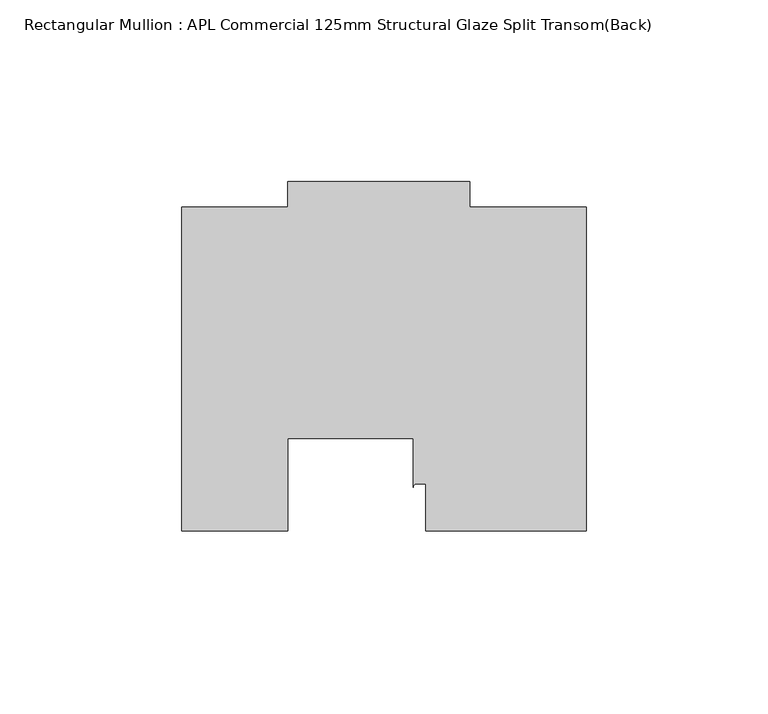
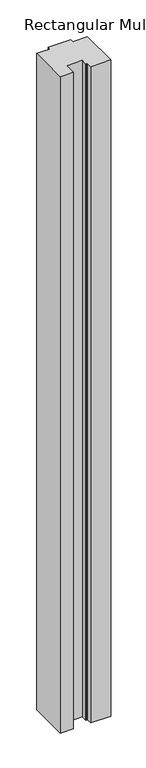
"""IFC4 building model written with IfcOpenShell, lengths in millimetres: member geometry, Rectangular Mullion : APL Commercial 125mm Structural Glaze Split Transom(Back)."""

from ifc_helpers import new_model, si_unit, point, frame, frame_2d, origin, place, context, project, spatial, polyline, circle_curve, trimmed, segment, composite_curve, outline, extrude, source, transform, mapped, element, save


def rectangular_mullion_apl_commercial_125mm_structural_glaze_39742845(model_context):
    return source(origin(), model_context, "Body", "SweptSolid", [
        extrude(outline(composite_curve([segment(polyline([(54.0000029, 15.0004617), (10.0000029, 15.0004617), (10.0000029, 28.0002131), (7.5000029, 28.0002131)]), True, "CONTINUOUS"), segment(trimmed(circle_curve(frame_2d((7.5000029, 27.0002131)), 1.0), [point((7.5000029, 28.0002131))], [point((6.5000029, 27.0002131))], True, "CARTESIAN"), True, "CONTINUOUS"), segment(polyline([(6.5000029, 27.0002131), (6.5000029, 40.499932), (-28.0000482, 40.499932), (-28.0000482, 15.0001793), (-57.0000004, 15.0001793), (-57.0000004, 103.9999439), (-27.9971154, 103.9999439), (-27.9971154, 111.0), (22.0028846, 111.0), (22.0028846, 104.0), (54.0000029, 104.0), (54.0000029, 15.0004617)]), True, "CONTINUOUS")], self_intersect=False)), frame((0.0, 0.0, -1524.000019), z_axis=(0.0, 0.0, 1.0), x_axis=(1.0, 0.0, 0.0)), (0.0, 0.0, 1.0), 1524.000019),
    ])


if __name__ == "__main__":
    model = new_model("IFC4")
    model_context = context("Model", 3, world=origin())
    ifc_project = project(units=[si_unit("LENGTHUNIT", "METRE", prefix="MILLI")], contexts=[model_context])
    site = spatial("IfcSite", under=ifc_project)
    building = spatial("IfcBuilding", under=site)
    placement = place(None, origin())
    rectangular_mullion_apl_commercial_125mm_structural_glaze_shape = rectangular_mullion_apl_commercial_125mm_structural_glaze_39742845(model_context)
    element("IfcMember", 1, ObjectType="Rectangular Mullion : APL Commercial 125mm Structural Glaze Split Transom(Back)", at=placement, inside=building, context=model_context, shape_type="MappedRepresentation", body=[
        mapped(rectangular_mullion_apl_commercial_125mm_structural_glaze_shape, transform((0.0, 0.0, 0.0), x_axis=(1.0, 0.0, 0.0), y_axis=(0.0, 1.0, 0.0), z_axis=(0.0, 0.0, 1.0))),
    ])
    save(model, "model.ifc")
